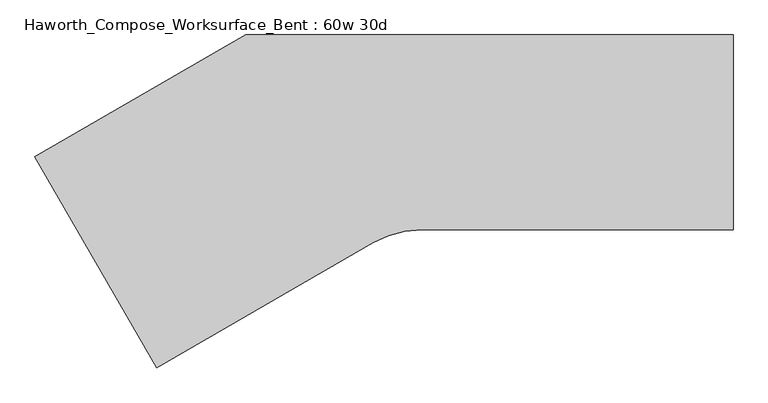
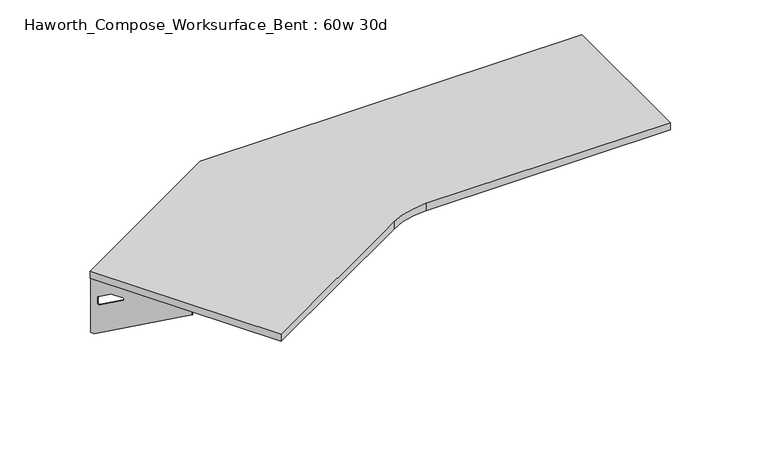
"""IFC4 building model written with IfcOpenShell, lengths in millimetres: furniture geometry, Haworth_Compose_Worksurface_Bent : 60w 30d."""

from ifc_helpers import new_model, si_unit, point, frame, frame_2d, origin, place, context, project, spatial, polyline, circle_curve, trimmed, segment, composite_curve, outline, extrude, source, transform, mapped, element, save
from ifc_brep_helpers import plane_surface, revolved_surface, advanced_brep


def haworth_compose_worksurface_bent_60w_30d_2b62cece(model_context):
    return source(origin(), model_context, "Body", "SolidModel", [
        advanced_brep(
        [(756.44375, 304.8, 475.45625), (756.44375, 288.925, 475.45625), (756.44375, -101.6, 691.7192568), (756.44375, -101.6, 704.05625), (756.44375, 288.925, 704.05625), (756.44375, 304.8, 704.05625), (756.44375, 221.490072, 665.95625), (756.44375, 177.8355284, 665.95625), (756.44375, 175.1564235, 656.3705539), (756.44375, 266.8776173, 605.5776439), (756.44375, 276.225, 611.1756969), (756.44375, 276.225, 634.6860246), (756.44375, 274.4730055, 637.5242776), (756.44375, 224.5663437, 665.1613425), (758.825, 304.8, 475.45625), (758.825, 304.8, 704.05625), (758.825, 288.925, 704.05625), (758.825, 288.925, 706.4375), (758.825, -101.6, 706.4375), (758.825, -101.6, 691.7192568), (758.825, 288.925, 475.45625), (758.825, 221.490072, 665.95625), (758.825, 224.5663437, 665.1613425), (758.825, 274.4730055, 637.5242776), (758.825, 276.225, 634.6860246), (758.825, 276.225, 611.1756969), (758.825, 266.8776173, 605.5776439), (758.825, 175.1564235, 656.3705539), (758.825, 177.8355284, 665.95625), (717.55, -101.6, 706.4375), (717.55, -101.6, 704.05625), (717.55, 288.925, 704.05625), (717.55, 288.925, 706.4375)],
        [
            (0, 1),
            (1, 2),
            (2, 3),
            (3, 4),
            (4, 5),
            (5, 0),
            (6, 7),
            (7, 8, circle_curve(frame((756.44375, 177.8355284, 660.7890106), z_axis=(1.0, 0.0, 0.0), x_axis=(0.0, -1.0, 0.0)), 5.1672394)),
            (8, 9),
            (9, 10, circle_curve(frame((756.44375, 269.875, 611.1756969), z_axis=(1.0, 0.0, 0.0), x_axis=(0.0, -1.0, 0.0)), 6.35)),
            (10, 11),
            (11, 12, circle_curve(frame((756.44375, 273.05, 634.6860246), z_axis=(1.0, 0.0, 0.0), x_axis=(0.0, -1.0, 0.0)), 3.175)),
            (12, 13),
            (13, 6, circle_curve(frame((756.44375, 221.490072, 659.60625), z_axis=(1.0, 0.0, 0.0), x_axis=(0.0, -1.0, 0.0)), 6.35)),
            (14, 15),
            (15, 16),
            (16, 17),
            (17, 18),
            (18, 19),
            (19, 20),
            (20, 14),
            (21, 22, circle_curve(frame((758.825, 221.490072, 659.60625), z_axis=(-1.0, 0.0, 0.0), x_axis=(0.0, -1.0, 0.0)), 6.35)),
            (22, 23),
            (23, 24, circle_curve(frame((758.825, 273.05, 634.6860246), z_axis=(-1.0, 0.0, 0.0), x_axis=(0.0, -1.0, 0.0)), 3.175)),
            (24, 25),
            (25, 26, circle_curve(frame((758.825, 269.875, 611.1756969), z_axis=(-1.0, 0.0, 0.0), x_axis=(0.0, -1.0, 0.0)), 6.35)),
            (26, 27),
            (27, 28, circle_curve(frame((758.825, 177.8355284, 660.7890106), z_axis=(-1.0, 0.0, 0.0), x_axis=(0.0, -1.0, 0.0)), 5.1672394)),
            (28, 21),
            (4, 16),
            (15, 5),
            (14, 0),
            (20, 1),
            (19, 2),
            (18, 29),
            (29, 30),
            (30, 3),
            (6, 21),
            (28, 7),
            (9, 26),
            (25, 10),
            (24, 11),
            (23, 12),
            (27, 8),
            (31, 4),
            (30, 31),
            (32, 29),
            (17, 32),
            (31, 32),
            (22, 13),
        ],
        [
            plane_surface(frame((756.44375, 304.8, 475.45625), z_axis=(-1.0, 0.0, 0.0), x_axis=(0.0, 1.0, 0.0))),
            plane_surface(frame((758.825, 304.8, 475.45625), z_axis=(1.0, 0.0, 0.0), x_axis=(0.0, -1.0, 0.0))),
            plane_surface(frame((758.825, -101.6, 704.05625), z_axis=(0.0, 0.0, 1.0), x_axis=(-1.0, 0.0, 0.0))),
            plane_surface(frame((758.825, 304.8, 704.05625), z_axis=(0.0, 1.0, 0.0), x_axis=(-1.0, 0.0, 0.0))),
            plane_surface(frame((758.825, 304.8, 475.45625), z_axis=(0.0, 0.0, -1.0), x_axis=(-1.0, 0.0, 0.0))),
            plane_surface(frame((758.825, 288.925, 475.45625), z_axis=(0.0, -0.48445223513455843, -0.8748177135112952), x_axis=(-1.0, 0.0, 0.0))),
            plane_surface(frame((758.825, -101.6, 691.7192568), z_axis=(0.0, -1.0, 0.0), x_axis=(-1.0, 0.0, 0.0))),
            plane_surface(frame((758.825, 221.490072, 665.95625), z_axis=(0.0, 0.0, -1.0), x_axis=(-1.0, 0.0, 0.0))),
            revolved_surface(polyline([(756.44375, 263.525, 611.1756969), (758.825, 263.525, 611.1756969)]), (758.825, 269.875, 611.1756969), (-1.0, 0.0, 0.0)),
            plane_surface(frame((758.825, 276.225, 611.1756969), z_axis=(0.0, -1.0, 0.0), x_axis=(-1.0, 0.0, 0.0))),
            revolved_surface(polyline([(756.44375, 269.875, 634.6860246), (758.825, 269.875, 634.6860246)]), (758.825, 273.05, 634.6860246), (-1.0, 0.0, 0.0)),
            revolved_surface(polyline([(756.44375, 172.668289, 660.7890106), (758.825, 172.668289, 660.7890106)]), (758.825, 177.8355284, 660.7890106), (-1.0, 0.0, 0.0)),
            plane_surface(frame((758.825, 288.925, 704.05625), z_axis=(0.0, 0.0, -1.0), x_axis=(-1.0, 0.0, 0.0))),
            plane_surface(frame((758.825, 288.925, 706.4375), z_axis=(0.0, 0.0, 1.0), x_axis=(1.0, 0.0, 0.0))),
            plane_surface(frame((717.55, 288.925, 706.4375), z_axis=(0.0, 1.0, 0.0), x_axis=(0.0, 0.0, -1.0))),
            plane_surface(frame((717.55, -101.6, 706.4375), z_axis=(-1.0, 0.0, 0.0), x_axis=(0.0, 0.0, -1.0))),
            plane_surface(frame((758.825, 175.1564235, 656.3705539), z_axis=(0.0, 0.4844522351345583, 0.8748177135112953), x_axis=(-1.0, 0.0, 0.0))),
            plane_surface(frame((758.825, 274.4730055, 637.5242776), z_axis=(0.0, -0.4844522351345582, -0.8748177135112953), x_axis=(-1.0, 0.0, 0.0))),
            revolved_surface(polyline([(756.44375, 215.140072, 659.60625), (758.825, 215.140072, 659.60625)]), (758.825, 221.490072, 659.60625), (-1.0, 0.0, 0.0)),
        ],
        [
            (0, [[1, 2, 3, 4, 5, 6], [7, 8, 9, 10, 11, 12, 13, 14]]),
            (1, [[15, 16, 17, 18, 19, 20, 21], [22, 23, 24, 25, 26, 27, 28, 29]]),
            (2, [[-5, 30, -16, 31]]),
            (3, [[-31, -15, 32, -6]]),
            (4, [[-32, -21, 33, -1]]),
            (5, [[-33, -20, 34, -2]]),
            (6, [[-34, -19, 35, 36, 37, -3]]),
            (7, [[38, -29, 39, -7]]),
            (8, [[40, -26, 41, -10]]),
            (9, [[-41, -25, 42, -11]]),
            (10, [[-42, -24, 43, -12]]),
            (11, [[-39, -28, 44, -8]]),
            (12, [[45, -4, -37, 46]]),
            (13, [[47, -35, -18, 48]]),
            (14, [[-17, -30, -45, 49, -48]]),
            (15, [[-36, -47, -49, -46]]),
            (16, [[-44, -27, -40, -9]]),
            (17, [[-43, -23, 50, -13]]),
            (18, [[-50, -22, -38, -14]]),
        ],
    ),
        advanced_brep(
        [(-1417.099504, -73.421875, 475.45625), (-1417.099504, -73.421875, 704.05625), (-1409.162004, -87.1700283, 704.05625), (-1213.899504, -425.3745991, 704.05625), (-1213.899504, -425.3745991, 691.7192568), (-1409.162004, -87.1700283, 475.45625), (-1375.44454, -145.570389, 665.95625), (-1376.9826759, -142.9062596, 665.1613425), (-1401.9360068, -99.6858226, 637.5242776), (-1402.812004, -98.1685509, 634.6860246), (-1402.812004, -98.1685509, 611.1756969), (-1398.1383127, -106.2636218, 605.5776439), (-1352.2777158, -185.6965057, 656.3705539), (-1353.6172682, -183.3763328, 665.95625), (-1419.161727, -74.6125, 475.45625), (-1411.224227, -88.3606533, 475.45625), (-1215.961727, -426.5652241, 691.7192568), (-1215.961727, -426.5652241, 706.4375), (-1411.224227, -88.3606533, 706.4375), (-1411.224227, -88.3606533, 704.05625), (-1419.161727, -74.6125, 704.05625), (-1377.506763, -146.761014, 665.95625), (-1355.6794912, -184.5669578, 665.95625), (-1354.3399388, -186.8871307, 656.3705539), (-1400.2005357, -107.4542468, 605.5776439), (-1404.874227, -99.3591759, 611.1756969), (-1404.874227, -99.3591759, 634.6860246), (-1403.9982298, -100.8764476, 637.5242776), (-1379.0448989, -144.0968846, 665.1613425), (-1180.2165285, -405.9277241, 704.05625), (-1180.2165285, -405.9277241, 706.4375), (-1375.4790285, -67.7231533, 704.05625), (-1375.4790285, -67.7231533, 706.4375)],
        [
            (0, 1),
            (1, 2),
            (2, 3),
            (3, 4),
            (4, 5),
            (5, 0),
            (6, 7, circle_curve(frame((-1375.44454, -145.570389, 659.60625), z_axis=(-0.8660254037844367, -0.5000000000000036, 0.0), x_axis=(0.5000000000000034, -0.8660254037844365, 0.0)), 6.35)),
            (7, 8),
            (8, 9, circle_curve(frame((-1401.224504, -100.9181816, 634.6860246), z_axis=(-0.8660254037844367, -0.5000000000000036, 0.0), x_axis=(0.5000000000000034, -0.8660254037844365, 0.0)), 3.175)),
            (9, 10),
            (10, 11, circle_curve(frame((-1399.637004, -103.6678122, 611.1756969), z_axis=(-0.8660254037844367, -0.5000000000000036, 0.0), x_axis=(0.5000000000000034, -0.8660254037844365, 0.0)), 6.35)),
            (11, 12),
            (12, 13, circle_curve(frame((-1353.6172682, -183.3763328, 660.7890106), z_axis=(-0.8660254037844367, -0.5000000000000036, 0.0), x_axis=(0.5000000000000034, -0.8660254037844365, 0.0)), 5.1672394)),
            (13, 6),
            (14, 15),
            (15, 16),
            (16, 17),
            (17, 18),
            (18, 19),
            (19, 20),
            (20, 14),
            (21, 22),
            (22, 23, circle_curve(frame((-1355.6794912, -184.5669578, 660.7890106), z_axis=(0.8660254037844367, 0.5000000000000036, 0.0), x_axis=(0.5000000000000034, -0.8660254037844365, 0.0)), 5.1672394)),
            (23, 24),
            (24, 25, circle_curve(frame((-1401.699227, -104.8584372, 611.1756969), z_axis=(0.8660254037844367, 0.5000000000000036, 0.0), x_axis=(0.5000000000000034, -0.8660254037844365, 0.0)), 6.35)),
            (25, 26),
            (26, 27, circle_curve(frame((-1403.286727, -102.1088066, 634.6860246), z_axis=(0.8660254037844367, 0.5000000000000036, 0.0), x_axis=(0.5000000000000034, -0.8660254037844365, 0.0)), 3.175)),
            (27, 28),
            (28, 21, circle_curve(frame((-1377.506763, -146.761014, 659.60625), z_axis=(0.8660254037844367, 0.5000000000000036, 0.0), x_axis=(0.5000000000000034, -0.8660254037844365, 0.0)), 6.35)),
            (1, 20),
            (19, 2),
            (0, 14),
            (5, 15),
            (4, 16),
            (3, 29),
            (29, 30),
            (30, 17),
            (13, 22),
            (21, 6),
            (10, 25),
            (24, 11),
            (9, 26),
            (8, 27),
            (12, 23),
            (31, 29),
            (2, 31),
            (32, 18),
            (30, 32),
            (32, 31),
            (7, 28),
        ],
        [
            plane_surface(frame((-1417.099504, -73.421875, 475.45625), z_axis=(0.8660254037844367, 0.5000000000000036, 0.0), x_axis=(-0.5000000000000036, 0.8660254037844367, 0.0))),
            plane_surface(frame((-1419.161727, -74.6125, 475.45625), z_axis=(-0.8660254037844367, -0.5000000000000036, 0.0), x_axis=(0.5000000000000036, -0.8660254037844367, 0.0))),
            plane_surface(frame((-1215.961727, -426.5652241, 704.05625), z_axis=(0.0, 0.0, 1.0), x_axis=(0.8660254037844358, 0.500000000000005, 0.0))),
            plane_surface(frame((-1419.161727, -74.6125, 704.05625), z_axis=(-0.500000000000005, 0.8660254037844358, 0.0), x_axis=(0.8660254037844358, 0.500000000000005, 0.0))),
            plane_surface(frame((-1419.161727, -74.6125, 475.45625), z_axis=(0.0, 0.0, -1.0), x_axis=(0.8660254037844358, 0.500000000000005, 0.0))),
            plane_surface(frame((-1411.224227, -88.3606533, 475.45625), z_axis=(0.24222611756728163, -0.41954794254667843, -0.8748177135112951), x_axis=(0.8660254037844358, 0.500000000000005, 0.0))),
            plane_surface(frame((-1215.961727, -426.5652241, 691.7192568), z_axis=(0.500000000000005, -0.8660254037844358, 0.0), x_axis=(0.8660254037844358, 0.500000000000005, 0.0))),
            plane_surface(frame((-1377.506763, -146.761014, 665.95625), z_axis=(0.0, 0.0, -1.0), x_axis=(0.8660254037844358, 0.500000000000005, 0.0))),
            revolved_surface(polyline([(-1396.4620040018096, -109.16707351089683, 611.1756969), (-1398.5242270534939, -110.3576985449158, 611.1756969)]), (-1401.699227, -104.8584372, 611.1756969), (0.8660254037844365, 0.5000000000000034, 0.0)),
            plane_surface(frame((-1404.874227, -99.3591759, 611.1756969), z_axis=(0.500000000000005, -0.8660254037844358, 0.0), x_axis=(0.8660254037844358, 0.500000000000005, 0.0))),
            revolved_surface(polyline([(-1399.6370039831966, -103.66781224313517, 634.6860246), (-1401.6992269999998, -104.85843725701558, 634.6860246)]), (-1403.286727, -102.1088066, 634.6860246), (0.8660254037844365, 0.5000000000000034, 0.0)),
            revolved_surface(polyline([(-1351.0336485018095, -187.8512933847015, 660.7890106), (-1353.095871536286, -189.04191840878565, 660.7890106)]), (-1355.6794912, -184.5669578, 660.7890106), (0.8660254037844365, 0.5000000000000034, 0.0)),
            plane_surface(frame((-1411.224227, -88.3606533, 704.05625), z_axis=(0.0, 0.0, -1.0), x_axis=(0.866025403784437, 0.5000000000000029, 0.0))),
            plane_surface(frame((-1411.224227, -88.3606533, 706.4375), z_axis=(0.0, 0.0, 1.0), x_axis=(-0.866025403784437, -0.5000000000000029, 0.0))),
            plane_surface(frame((-1375.4790285, -67.7231533, 706.4375), z_axis=(-0.5000000000000029, 0.866025403784437, 0.0), x_axis=(0.0, 0.0, -1.0))),
            plane_surface(frame((-1180.2165285, -405.9277241, 706.4375), z_axis=(0.8660254037844367, 0.5000000000000036, 0.0), x_axis=(0.0, 0.0, -1.0))),
            plane_surface(frame((-1354.3399388, -186.8871307, 656.3705539), z_axis=(-0.24222611756728157, 0.4195479425466783, 0.8748177135112953), x_axis=(0.8660254037844358, 0.500000000000005, 0.0))),
            plane_surface(frame((-1403.9982298, -100.8764476, 637.5242776), z_axis=(0.24222611756728155, -0.41954794254667827, -0.8748177135112954), x_axis=(0.8660254037844358, 0.500000000000005, 0.0))),
            revolved_surface(polyline([(-1372.2695400018097, -151.06965031089683, 659.60625), (-1374.3317630553156, -152.2602753459675, 659.60625)]), (-1377.506763, -146.761014, 659.60625), (0.8660254037844365, 0.5000000000000034, 0.0)),
        ],
        [
            (0, [[1, 2, 3, 4, 5, 6], [7, 8, 9, 10, 11, 12, 13, 14]]),
            (1, [[15, 16, 17, 18, 19, 20, 21], [22, 23, 24, 25, 26, 27, 28, 29]]),
            (2, [[30, -20, 31, -2]]),
            (3, [[-1, 32, -21, -30]]),
            (4, [[-6, 33, -15, -32]]),
            (5, [[-5, 34, -16, -33]]),
            (6, [[-4, 35, 36, 37, -17, -34]]),
            (7, [[-14, 38, -22, 39]]),
            (8, [[-11, 40, -25, 41]]),
            (9, [[-10, 42, -26, -40]]),
            (10, [[-9, 43, -27, -42]]),
            (11, [[-13, 44, -23, -38]]),
            (12, [[45, -35, -3, 46]]),
            (13, [[47, -18, -37, 48]]),
            (14, [[-47, 49, -46, -31, -19]]),
            (15, [[-45, -49, -48, -36]]),
            (16, [[-12, -41, -24, -44]]),
            (17, [[-8, 50, -28, -43]]),
            (18, [[-7, -39, -29, -50]]),
        ],
    ),
        extrude(outline(composite_curve([segment(polyline([(-762.0, 304.8), (762.0, 304.8), (762.0, -304.8), (-212.1872584, -304.8)]), True, "CONTINUOUS"), segment(trimmed(circle_curve(frame_2d((-212.1872584, -609.6)), 304.8), [point((-212.1872584, -304.8))], [point((-364.5872584, -345.6354569))], True, "CARTESIAN"), True, "CONTINUOUS"), segment(polyline([(-364.5872584, -345.6354569), (-1040.9113577, -736.1113577), (-1421.9113577, -76.2), (-762.0, 304.8)]), True, "CONTINUOUS")], self_intersect=False)), frame((0.0, 0.0, 706.4375), z_axis=(0.0, 0.0, 1.0), x_axis=(1.0, 0.0, 0.0)), (0.0, 0.0, 1.0), 30.1625),
    ])


if __name__ == "__main__":
    model = new_model("IFC4")
    model_context = context("Model", 3, world=origin())
    ifc_project = project(units=[si_unit("LENGTHUNIT", "METRE", prefix="MILLI")], contexts=[model_context])
    site = spatial("IfcSite", under=ifc_project)
    building = spatial("IfcBuilding", under=site)
    placement = place(None, origin())
    haworth_compose_worksurface_bent_60w_30d_shape = haworth_compose_worksurface_bent_60w_30d_2b62cece(model_context)
    element("IfcFurniture", 1, ObjectType="Haworth_Compose_Worksurface_Bent : 60w 30d", at=placement, inside=building, context=model_context, shape_type="MappedRepresentation", body=[
        mapped(haworth_compose_worksurface_bent_60w_30d_shape, transform((0.0, 0.0, 0.0), x_axis=(1.0, 0.0, 0.0), y_axis=(0.0, 1.0, 0.0), z_axis=(0.0, 0.0, 1.0))),
    ])
    save(model, "model.ifc")
